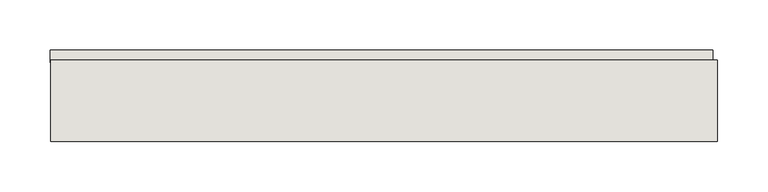
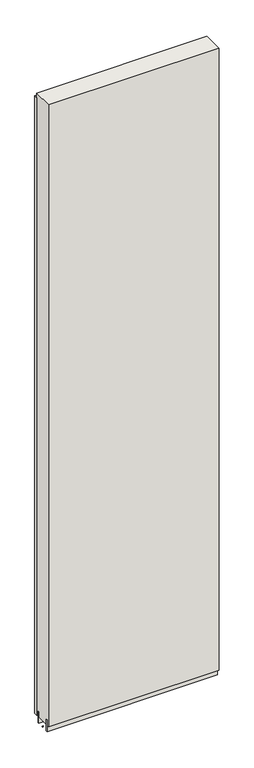
"""IFC4 building model written with IfcOpenShell, lengths in millimetres: wall geometry."""

from ifc_helpers import new_model, si_unit, frame, origin, place, context, project, spatial, polyline, outline, extrude, source, transform, mapped, element, save


def wall_0f3ec097(model_context):
    return source(origin(), model_context, "Body", "SweptSolid", [
        extrude(outline(polyline([(72563.1106774, -39417.0036398), (72560.5706774, -39417.0036398), (72560.5706774, -39414.4636398), (72563.1106774, -39414.4636398), (72563.1106774, -39417.0036398)])), frame((0.0, 0.0, 4419.6), z_axis=(0.0, 0.0, 1.0), x_axis=(1.0, 0.0, 0.0)), (0.0, 0.0, 1.0), 2.54),
        extrude(outline(polyline([(72560.1065432, -39364.9336398), (73222.4493384, -39364.9336398), (73222.4493384, -39377.6336398), (72560.1065432, -39377.6336398), (72560.1065432, -39364.9336398)])), frame((0.0, 0.0, 4445.0), z_axis=(0.0, 0.0, 1.0), x_axis=(1.0, 0.0, 0.0)), (0.0, 0.0, 1.0), 2545.0498756),
        extrude(outline(polyline([(73226.903965, -39390.6498952), (72560.5632352, -39390.6498952), (72560.5632352, -39385.5711398), (73226.903965, -39385.5711398), (73226.903965, -39390.6498952)])), frame((0.0, 0.0, 4418.6602), z_axis=(0.0, 0.0, 1.0), x_axis=(1.0, 0.0, 0.0)), (0.0, 0.0, 1.0), 47.625),
        extrude(outline(polyline([(73226.903965, -39390.6498952), (72560.5632352, -39390.6498952), (72560.5632352, -39385.5711398), (73226.903965, -39385.5711398), (73226.903965, -39390.6498952)])), frame((0.0, 0.0, 4418.6602), z_axis=(0.0, 0.0, 1.0), x_axis=(1.0, 0.0, 0.0)), (0.0, 0.0, 1.0), 47.625),
        extrude(outline(polyline([(72560.5632352, -39440.8142856), (73226.903965, -39440.8142856), (73226.903965, -39445.8961398), (72560.5632352, -39445.8961398), (72560.5632352, -39440.8142856)])), frame((0.0, 0.0, 4418.6602), z_axis=(0.0, 0.0, 1.0), x_axis=(1.0, 0.0, 0.0)), (0.0, 0.0, 1.0), 47.625),
        extrude(outline(polyline([(72560.5632352, -39440.8142856), (73226.903965, -39440.8142856), (73226.903965, -39445.8961398), (72560.5632352, -39445.8961398), (72560.5632352, -39440.8142856)])), frame((0.0, 0.0, 4418.6602), z_axis=(0.0, 0.0, 1.0), x_axis=(1.0, 0.0, 0.0)), (0.0, 0.0, 1.0), 47.625),
        extrude(outline(polyline([(73226.903965, -39375.10667), (73226.903965, -39456.3854254), (72560.5632352, -39456.3854254), (72560.5632352, -39375.10667), (73226.903965, -39375.10667)])), frame((0.0, 0.0, 4445.0), z_axis=(0.0, 0.0, 1.0), x_axis=(1.0, 0.0, 0.0)), (0.0, 0.0, 1.0), 2562.4536762),
    ])


if __name__ == "__main__":
    model = new_model("IFC4")
    model_context = context("Model", 3, world=origin())
    ifc_project = project(units=[si_unit("LENGTHUNIT", "METRE", prefix="MILLI")], contexts=[model_context])
    site = spatial("IfcSite", under=ifc_project)
    building = spatial("IfcBuilding", under=site)
    placement = place(None, origin())
    wall_shape = wall_0f3ec097(model_context)
    element("IfcWall", 1, at=placement, inside=building, context=model_context, shape_type="MappedRepresentation", body=[
        mapped(wall_shape, transform((0.0, 0.0, 0.0), x_axis=(1.0, 0.0, 0.0), y_axis=(0.0, 1.0, 0.0), z_axis=(0.0, 0.0, 1.0))),
    ])
    save(model, "model.ifc")
